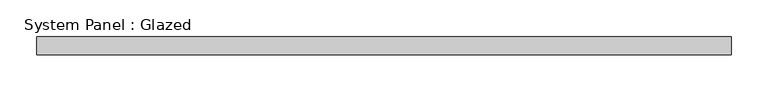
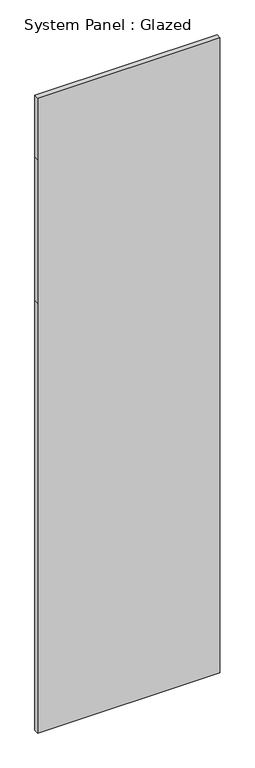
"""IFC4 building model written with IfcOpenShell, lengths in millimetres: plate geometry, System Panel : Glazed."""

from ifc_helpers import new_model, si_unit, frame, origin, place, context, project, spatial, polyline, outline, extrude, source, transform, mapped, element, save


def system_panel_glazed_5cdb15b9(model_context):
    return source(origin(), model_context, "Body", "SweptSolid", [
        extrude(outline(polyline([(0.0, -475.0), (0.0, 475.0), (2370.0, 475.0), (3160.0, 475.0), (3500.0, 475.0), (3500.0, -475.0), (3160.0, -475.0), (2370.0, -475.0), (0.0, -475.0)])), frame((0.0, -37.5, 0.0), z_axis=(0.0, 1.0, 0.0), x_axis=(0.0, 0.0, 1.0)), (0.0, 0.0, 1.0), 25.0),
    ])


if __name__ == "__main__":
    model = new_model("IFC4")
    model_context = context("Model", 3, world=origin())
    ifc_project = project(units=[si_unit("LENGTHUNIT", "METRE", prefix="MILLI")], contexts=[model_context])
    site = spatial("IfcSite", under=ifc_project)
    building = spatial("IfcBuilding", under=site)
    placement = place(None, origin())
    system_panel_glazed_shape = system_panel_glazed_5cdb15b9(model_context)
    element("IfcPlate", 1, ObjectType="System Panel : Glazed", at=placement, inside=building, context=model_context, shape_type="MappedRepresentation", body=[
        mapped(system_panel_glazed_shape, transform((0.0, 0.0, 0.0), x_axis=(1.0, 0.0, 0.0), y_axis=(0.0, 1.0, 0.0), z_axis=(0.0, 0.0, 1.0))),
    ])
    save(model, "model.ifc")
